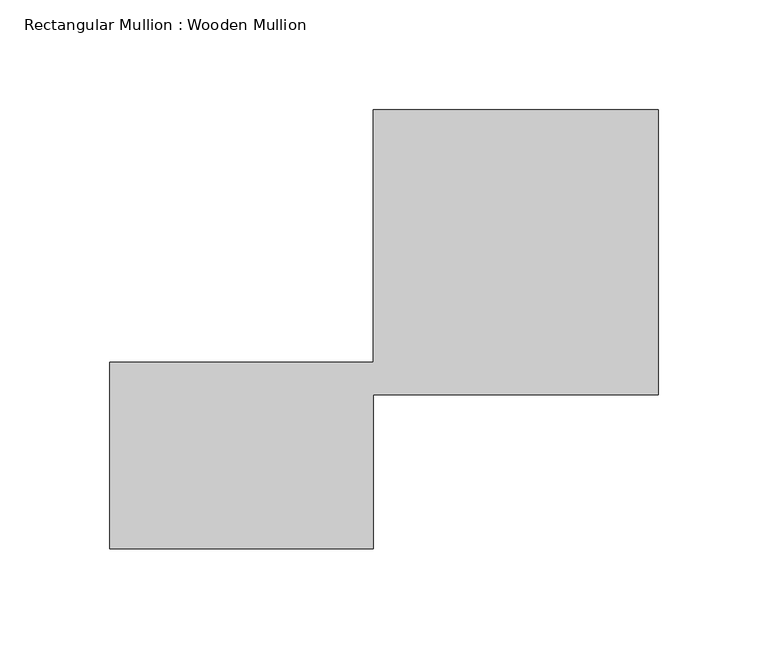
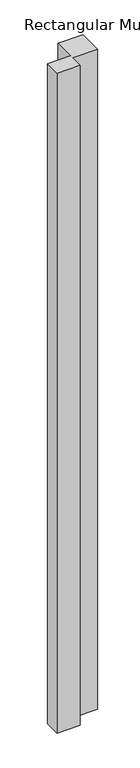
"""IFC4 building model written with IfcOpenShell, lengths in millimetres: member geometry, Rectangular Mullion : Wooden Mullion."""

from ifc_helpers import new_model, si_unit, frame, origin, place, context, project, spatial, polyline, outline, extrude, source, transform, mapped, element, save


def rectangular_mullion_wooden_mullion_eaae30d8(model_context):
    return source(origin(), model_context, "Body", "SweptSolid", [
        extrude(outline(polyline([(74.8100006, -26.0137344), (-45.1899994, -26.0137344), (-45.1899994, 58.9862656), (74.8100006, 58.9862656), (74.8100006, 173.9862656), (204.8100006, 173.9862656), (204.8100006, 43.9862656), (74.8100006, 43.9862656), (74.8100006, -26.0137344)])), frame((0.0, 0.0, -3616.2394727), z_axis=(0.0, 0.0, 1.0), x_axis=(1.0, 0.0, 0.0)), (0.0, 0.0, 1.0), 3616.2394727),
    ])


if __name__ == "__main__":
    model = new_model("IFC4")
    model_context = context("Model", 3, world=origin())
    ifc_project = project(units=[si_unit("LENGTHUNIT", "METRE", prefix="MILLI")], contexts=[model_context])
    site = spatial("IfcSite", under=ifc_project)
    building = spatial("IfcBuilding", under=site)
    placement = place(None, origin())
    rectangular_mullion_wooden_mullion_shape = rectangular_mullion_wooden_mullion_eaae30d8(model_context)
    element("IfcMember", 1, ObjectType="Rectangular Mullion : Wooden Mullion", at=placement, inside=building, context=model_context, shape_type="MappedRepresentation", body=[
        mapped(rectangular_mullion_wooden_mullion_shape, transform((0.0, 0.0, 0.0), x_axis=(1.0, 0.0, 0.0), y_axis=(0.0, 1.0, 0.0), z_axis=(0.0, 0.0, 1.0))),
    ])
    save(model, "model.ifc")
